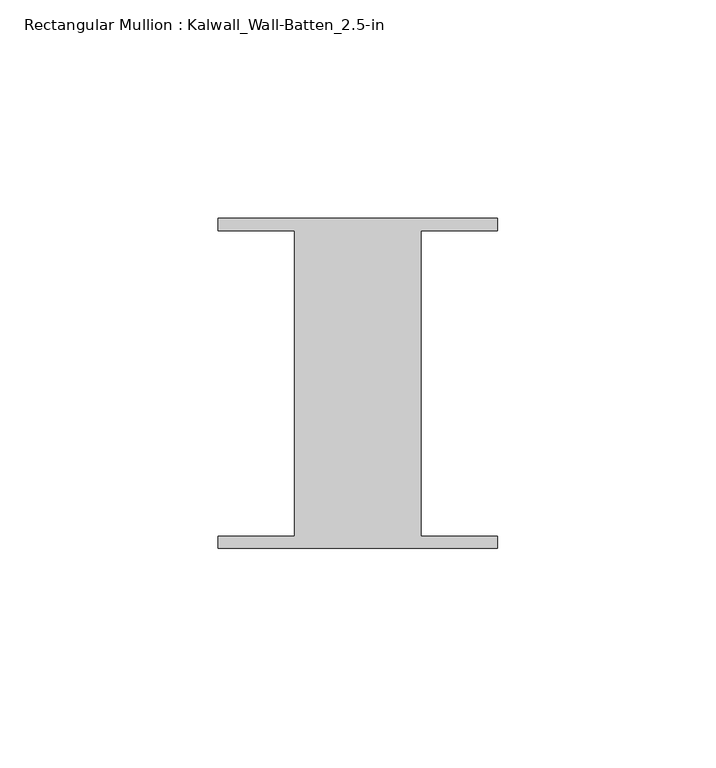
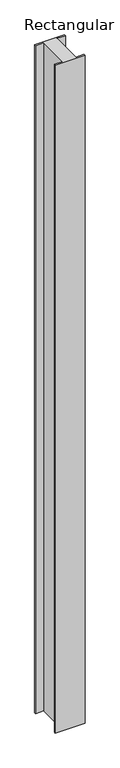
"""IFC4 building model written with IfcOpenShell, lengths in millimetres: member geometry, Rectangular Mullion : Kalwall_Wall-Batten_2.5-in."""

from ifc_helpers import new_model, si_unit, frame, origin, place, context, project, spatial, polyline, outline, extrude, source, transform, mapped, element, save


def rectangular_mullion_kalwall_wall_batten_2_5_in_fbb8b9b6(model_context):
    return source(origin(), model_context, "Body", "SweptSolid", [
        extrude(outline(polyline([(-32.0, 36.524), (32.0, 36.524), (32.0, 33.73), (14.5, 33.73), (14.5, -36.27), (32.0, -36.27), (32.0, -39.064), (-32.0, -39.064), (-32.0, -36.27), (-14.5, -36.27), (-14.5, 33.73), (-32.0, 33.73), (-32.0, 36.524)])), frame((0.0, 0.0, -1513.1068003), z_axis=(0.0, 0.0, 1.0), x_axis=(1.0, 0.0, 0.0)), (0.0, 0.0, 1.0), 1513.1068003),
    ])


if __name__ == "__main__":
    model = new_model("IFC4")
    model_context = context("Model", 3, world=origin())
    ifc_project = project(units=[si_unit("LENGTHUNIT", "METRE", prefix="MILLI")], contexts=[model_context])
    site = spatial("IfcSite", under=ifc_project)
    building = spatial("IfcBuilding", under=site)
    placement = place(None, origin())
    rectangular_mullion_kalwall_wall_batten_2_5_in_shape = rectangular_mullion_kalwall_wall_batten_2_5_in_fbb8b9b6(model_context)
    element("IfcMember", 1, ObjectType="Rectangular Mullion : Kalwall_Wall-Batten_2.5-in", at=placement, inside=building, context=model_context, shape_type="MappedRepresentation", body=[
        mapped(rectangular_mullion_kalwall_wall_batten_2_5_in_shape, transform((0.0, 0.0, 0.0), x_axis=(1.0, 0.0, 0.0), y_axis=(0.0, 1.0, 0.0), z_axis=(0.0, 0.0, 1.0))),
    ])
    save(model, "model.ifc")
